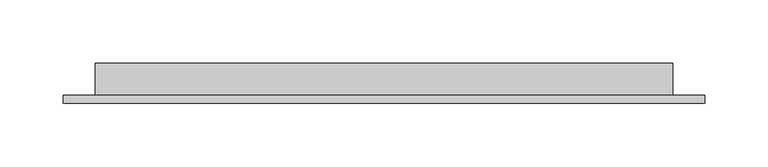
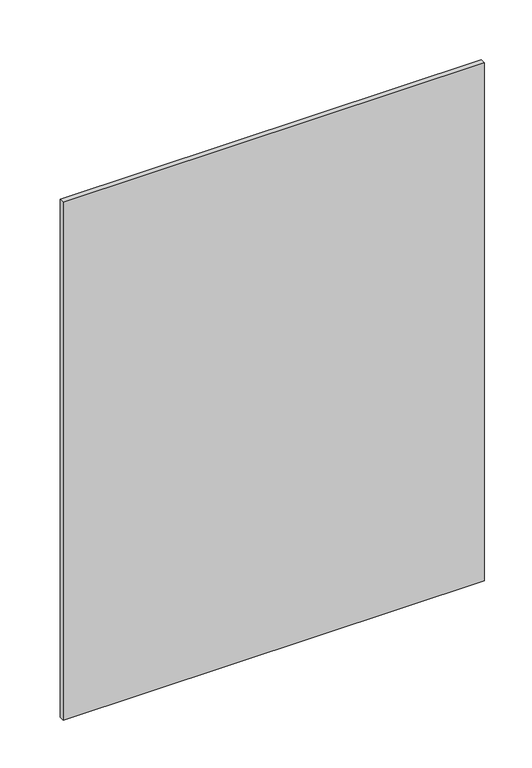
"""IFC4 building model written with IfcOpenShell, lengths in millimetres: proxy geometry."""

from ifc_helpers import new_model, si_unit, frame, origin, place, context, project, spatial, polyline, outline, extrude, source, transform, mapped, element, save


def generic_models_fde552d4(model_context):
    return source(origin(), model_context, "Body", "SweptSolid", [
        extrude(outline(polyline([(-254.0, -93.6625), (-254.0, -87.3125), (254.0, -87.3125), (254.0, -93.6625), (-254.0, -93.6625)])), frame((0.0, 0.0, 1193.8), z_axis=(0.0, 0.0, 1.0), x_axis=(1.0, 0.0, 0.0)), (0.0, 0.0, 1.0), 660.4),
        extrude(outline(polyline([(-228.6, -87.3125), (-228.6, -61.9125), (228.6, -61.9125), (228.6, -87.3125), (-228.6, -87.3125)])), frame((0.0, 0.0, 1219.2), z_axis=(0.0, 0.0, 1.0), x_axis=(1.0, 0.0, 0.0)), (0.0, 0.0, 1.0), 609.6),
    ])


if __name__ == "__main__":
    model = new_model("IFC4")
    model_context = context("Model", 3, world=origin())
    ifc_project = project(units=[si_unit("LENGTHUNIT", "METRE", prefix="MILLI")], contexts=[model_context])
    site = spatial("IfcSite", under=ifc_project)
    building = spatial("IfcBuilding", under=site)
    placement = place(None, origin())
    generic_models_shape = generic_models_fde552d4(model_context)
    element("IfcBuildingElementProxy", 1, Name="Generic Models", at=placement, inside=building, context=model_context, shape_type="MappedRepresentation", body=[
        mapped(generic_models_shape, transform((0.0, 0.0, 0.0), x_axis=(1.0, 0.0, 0.0), y_axis=(0.0, 1.0, 0.0), z_axis=(0.0, 0.0, 1.0))),
    ])
    save(model, "model.ifc")
